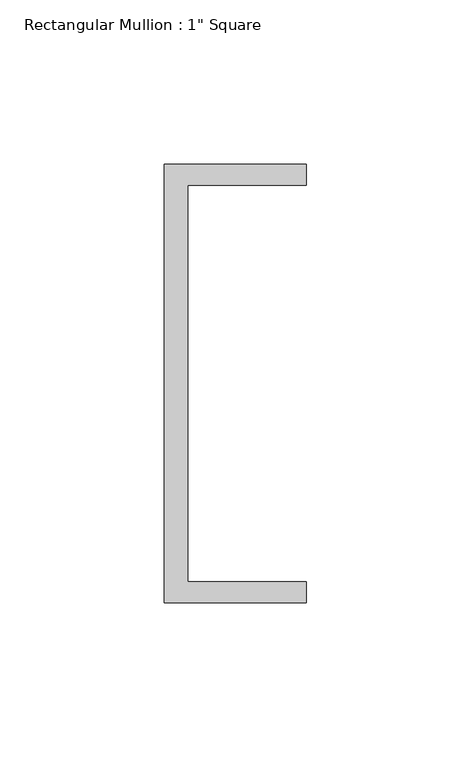
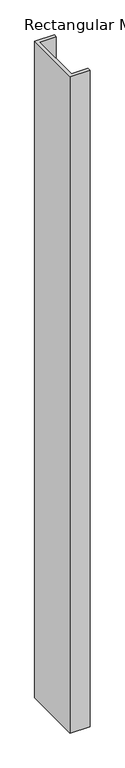
"""IFC4 building model written with IfcOpenShell, lengths in millimetres: member geometry."""

from ifc_helpers import new_model, si_unit, frame, origin, place, context, project, spatial, polyline, outline, extrude, source, transform, mapped, element, save


def member_3fd719a0(model_context):
    return source(origin(), model_context, "Body", "SweptSolid", [
        extrude(outline(polyline([(-18.6549463, 135.2608739), (24.5675083, 135.2608739), (24.5675083, 128.9108739), (-11.6110886, 128.9108739), (-11.6110886, 8.2608739), (24.5675083, 8.2608739), (24.5675083, 1.9108739), (-18.6549463, 1.9108739), (-18.6549463, 135.2608739)])), frame((0.0, 0.0, -1511.4798401), z_axis=(0.0, 0.0, 1.0), x_axis=(1.0, 0.0, 0.0)), (0.0, 0.0, 1.0), 1511.4798401),
    ])


if __name__ == "__main__":
    model = new_model("IFC4")
    model_context = context("Model", 3, world=origin())
    ifc_project = project(units=[si_unit("LENGTHUNIT", "METRE", prefix="MILLI")], contexts=[model_context])
    site = spatial("IfcSite", under=ifc_project)
    building = spatial("IfcBuilding", under=site)
    placement = place(None, origin())
    member_shape = member_3fd719a0(model_context)
    element("IfcMember", 1, ObjectType="Rectangular Mullion : 1\" Square", at=placement, inside=building, context=model_context, shape_type="MappedRepresentation", body=[
        mapped(member_shape, transform((0.0, 0.0, 0.0), x_axis=(1.0, 0.0, 0.0), y_axis=(0.0, 1.0, 0.0), z_axis=(0.0, 0.0, 1.0))),
    ])
    save(model, "model.ifc")
